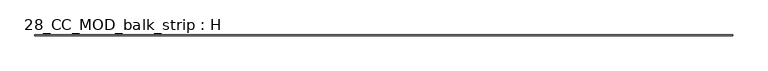
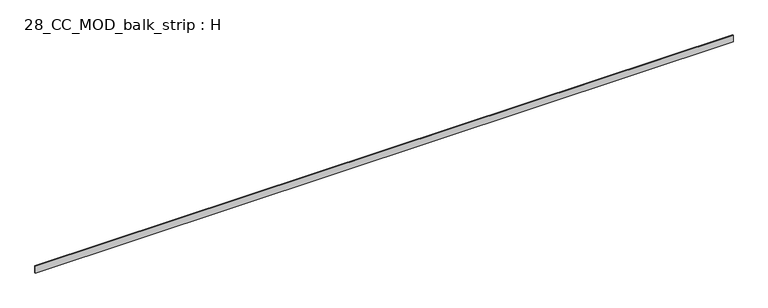
"""IFC4 building model written with IfcOpenShell, lengths in millimetres: beam geometry, 28_CC_MOD_balk_strip : H."""

from ifc_helpers import new_model, si_unit, frame, origin, place, context, project, spatial, polyline, outline, extrude, source, transform, mapped, element, save


def beam_28_cc_mod_balk_strip_h_f009742a(model_context):
    return source(origin(), model_context, "Body", "SweptSolid", [
        extrude(outline(polyline([(4960.0, 5.0), (4960.0, -5.0), (-4960.0, -5.0), (-4960.0, 5.0), (4960.0, 5.0)])), frame((0.0, 0.0, -50.0), z_axis=(0.0, 0.0, 1.0), x_axis=(1.0, 0.0, 0.0)), (0.0, 0.0, 1.0), 100.0),
    ])


if __name__ == "__main__":
    model = new_model("IFC4")
    model_context = context("Model", 3, world=origin())
    ifc_project = project(units=[si_unit("LENGTHUNIT", "METRE", prefix="MILLI")], contexts=[model_context])
    site = spatial("IfcSite", under=ifc_project)
    building = spatial("IfcBuilding", under=site)
    placement = place(None, origin())
    beam_28_cc_mod_balk_strip_h_shape = beam_28_cc_mod_balk_strip_h_f009742a(model_context)
    element("IfcBeam", 1, ObjectType="28_CC_MOD_balk_strip : H", at=placement, inside=building, context=model_context, shape_type="MappedRepresentation", body=[
        mapped(beam_28_cc_mod_balk_strip_h_shape, transform((0.0, 0.0, 0.0), x_axis=(1.0, 0.0, 0.0), y_axis=(0.0, 1.0, 0.0), z_axis=(0.0, 0.0, 1.0))),
    ])
    save(model, "model.ifc")
